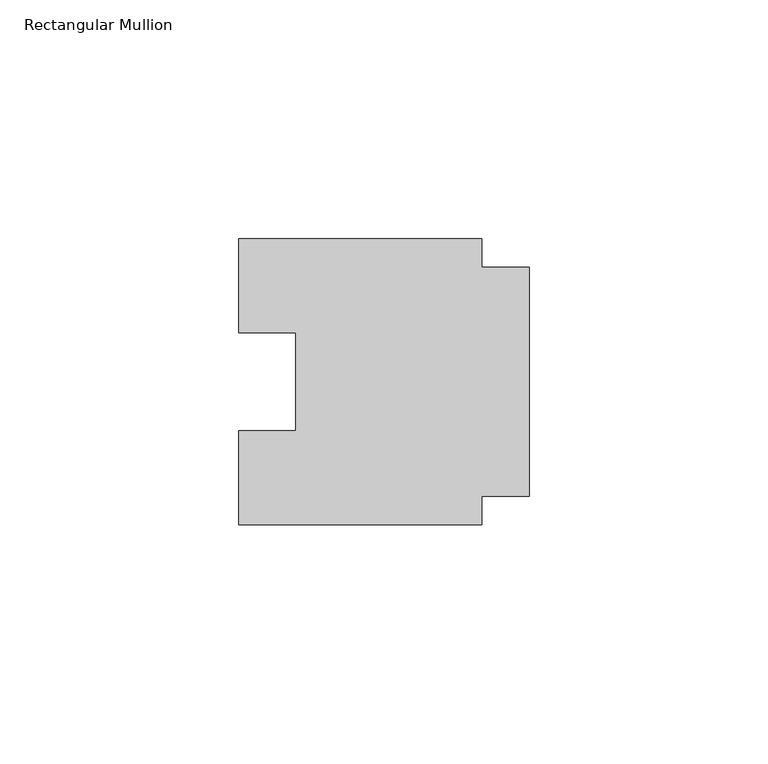
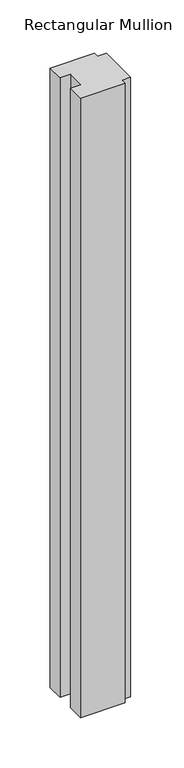
"""IFC4 building model written with IfcOpenShell, lengths in millimetres: member geometry, Rectangular Mullion."""

from ifc_helpers import new_model, si_unit, frame, origin, place, context, project, spatial, polyline, outline, extrude, source, transform, mapped, element, save


def rectangular_mullion_e40e4d1b(model_context):
    return source(origin(), model_context, "Body", "SweptSolid", [
        extrude(outline(polyline([(-10.0, 24.0), (0.0, 24.0), (0.0, -24.0), (-10.0, -24.0), (-10.0, -30.0), (-61.0, -30.0), (-61.0, -10.25), (-49.0, -10.25), (-49.0, 10.25), (-61.0, 10.25), (-61.0, 30.0), (-10.0, 30.0), (-10.0, 24.0)])), frame((0.0, 0.0, -750.0), z_axis=(0.0, 0.0, 1.0), x_axis=(1.0, 0.0, 0.0)), (0.0, 0.0, 1.0), 750.0),
    ])


if __name__ == "__main__":
    model = new_model("IFC4")
    model_context = context("Model", 3, world=origin())
    ifc_project = project(units=[si_unit("LENGTHUNIT", "METRE", prefix="MILLI")], contexts=[model_context])
    site = spatial("IfcSite", under=ifc_project)
    building = spatial("IfcBuilding", under=site)
    placement = place(None, origin())
    rectangular_mullion_shape = rectangular_mullion_e40e4d1b(model_context)
    element("IfcMember", 1, ObjectType="Rectangular Mullion", at=placement, inside=building, context=model_context, shape_type="MappedRepresentation", body=[
        mapped(rectangular_mullion_shape, transform((0.0, 0.0, 0.0), x_axis=(1.0, 0.0, 0.0), y_axis=(0.0, 1.0, 0.0), z_axis=(0.0, 0.0, 1.0))),
    ])
    save(model, "model.ifc")
